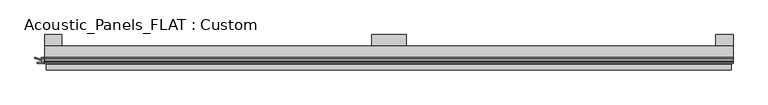
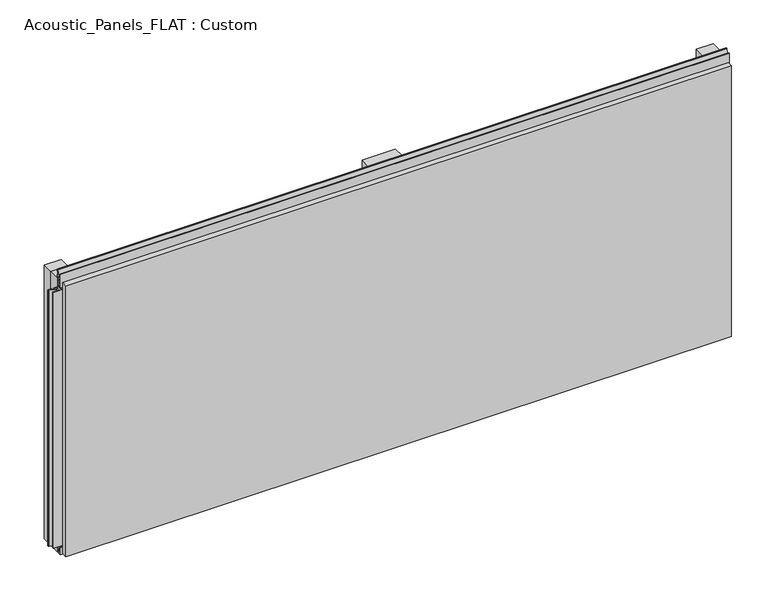
"""IFC4 building model written with IfcOpenShell, lengths in millimetres: plate geometry, Acoustic_Panels_FLAT : Custom."""

from ifc_helpers import new_model, si_unit, frame, origin, origin_with_axes, place, context, project, spatial, polyline, outline, extrude, faceted_brep, source, transform, mapped, element, save


def acoustic_panels_flat_custom_2cc01d05(model_context):
    return source(origin(), model_context, "Body", "SolidModel", [
        extrude(outline(polyline([(-600.0, -40.0), (-600.0, -20.0), (600.0, -20.0), (600.0, -40.0), (-600.0, -40.0)])), frame((0.0, 0.0, 490.0), z_axis=(0.0, 0.0, 1.0), x_axis=(1.0, 0.0, 0.0)), (0.0, 0.0, 1.0), 30.0),
        extrude(outline(polyline([(-600.0, -40.0), (-600.0, -20.0), (600.0, -20.0), (600.0, -40.0), (-600.0, -40.0)])), origin_with_axes(), (0.0, 0.0, 1.0), 30.0),
        extrude(outline(polyline([(570.0, 0.0), (600.0, 0.0), (600.0, -20.0), (570.0, -20.0), (570.0, 0.0)])), origin_with_axes(), (0.0, 0.0, 1.0), 520.0),
        extrude(outline(polyline([(30.0, 0.0), (30.0, -20.0), (-30.0, -20.0), (-30.0, 0.0), (30.0, 0.0)])), origin_with_axes(), (0.0, 0.0, 1.0), 520.0),
        extrude(outline(polyline([(-570.0, 0.0), (-570.0, -20.0), (-600.0, -20.0), (-600.0, 0.0), (-570.0, 0.0)])), origin_with_axes(), (0.0, 0.0, 1.0), 520.0),
        extrude(outline(polyline([(-40.0, 6.299084), (-40.0, 0.0), (-50.1, 0.0), (-50.1, 13.4156807), (-48.7, 13.4156807), (-48.7, 1.4156807), (-41.4, 1.4156807), (-41.4, 4.899084), (-45.5140545, 4.899084), (-41.4553267, 15.5703394), (-41.4553267, 22.991548), (-40.0553267, 22.991548), (-40.0553267, 15.3558599), (-43.5, 6.299084), (-40.0, 6.299084)])), frame((-600.0, 0.0, 0.0), z_axis=(1.0, 0.0, 0.0), x_axis=(0.0, 1.0, 0.0)), (0.0, 0.0, 1.0), 1200.0),
        extrude(outline(polyline([(593.700916, -40.0), (600.0, -40.0), (600.0, -50.1), (586.5843193, -50.1), (586.5843193, -48.7), (598.5843193, -48.7), (598.5843193, -41.4), (595.100916, -41.4), (595.100916, -45.5140545), (584.4296606, -41.4553267), (577.008452, -41.4553267), (577.008452, -40.0553267), (584.6441401, -40.0553267), (593.700916, -43.5), (593.700916, -40.0)])), frame((0.0, 0.0, 16.9558599), z_axis=(0.0, 0.0, 1.0), x_axis=(1.0, 0.0, 0.0)), (0.0, 0.0, 1.0), 486.0882802),
        extrude(outline(polyline([(-600.899084, -48.7), (-600.899084, -41.4), (-604.899084, -41.4), (-604.899084, -45.5140545), (-615.5703394, -41.4553267), (-616.9558599, -41.4553267), (-616.9558599, -40.0553267), (-615.3558599, -40.0553267), (-606.299084, -43.5), (-606.299084, -40.0), (-593.700916, -40.0), (-593.700916, -43.5), (-584.6441401, -40.0553267), (-583.0441401, -40.0553267), (-583.0441401, -41.4553267), (-584.4296606, -41.4553267), (-595.100916, -45.5140545), (-595.100916, -41.4), (-599.100916, -41.4), (-599.100916, -48.7), (-587.100916, -48.7), (-587.100916, -50.1), (-612.899084, -50.1), (-612.899084, -48.7), (-600.899084, -48.7)])), frame((0.0, 0.0, 16.9558599), z_axis=(0.0, 0.0, 1.0), x_axis=(1.0, 0.0, 0.0)), (0.0, 0.0, 1.0), 486.0882802),
        extrude(outline(polyline([(-48.7, 520.899084), (-41.4, 520.899084), (-41.4, 524.899084), (-45.5140545, 524.899084), (-41.4553267, 535.5703394), (-41.4553267, 536.9558599), (-40.0553267, 536.9558599), (-40.0553267, 535.3558599), (-43.5, 526.299084), (-40.0, 526.299084), (-40.0, 513.700916), (-43.5, 513.700916), (-40.0553267, 504.6441401), (-40.0553267, 503.0441401), (-41.4553267, 503.0441401), (-41.4553267, 504.4296606), (-45.5140545, 515.100916), (-41.4, 515.100916), (-41.4, 519.100916), (-48.7, 519.100916), (-48.7, 507.100916), (-50.1, 507.100916), (-50.1, 532.899084), (-48.7, 532.899084), (-48.7, 520.899084)])), frame((-600.0, 0.0, 0.0), z_axis=(1.0, 0.0, 0.0), x_axis=(0.0, 1.0, 0.0)), (0.0, 0.0, 1.0), 1200.0),
        faceted_brep([(597.0, -45.9, 517.0), (-597.0, -45.9, 517.0), (-597.0, -48.7, 517.0), (597.0, -48.7, 517.0), (-597.0, -61.9, 517.0), (597.0, -61.9, 517.0), (597.0, -51.9, 517.0), (-597.0, -51.9, 517.0), (-597.0, -45.9, 3.0), (597.0, -45.9, 3.0), (597.0, -48.7, 3.0), (-597.0, -48.7, 3.0), (597.0, -61.9, 3.0), (-597.0, -61.9, 3.0), (-597.0, -51.9, 3.0), (597.0, -51.9, 3.0), (585.0, -51.9, 505.0), (585.0, -51.9, 15.0), (585.0, -48.7, 15.0), (585.0, -48.7, 505.0), (-585.0, -51.9, 15.0), (-585.0, -48.7, 15.0), (-585.0, -51.9, 505.0), (-585.0, -48.7, 505.0)], [[[0, 1, 2, 3]], [[4, 5, 6, 7]], [[8, 9, 10, 11]], [[12, 13, 14, 15]], [[1, 0, 9, 8]], [[1, 8, 11, 2]], [[13, 4, 7, 14]], [[5, 4, 13, 12]], [[9, 0, 3, 10]], [[5, 12, 15, 6]], [[16, 17, 18, 19]], [[18, 17, 20, 21]], [[21, 20, 22, 23]], [[16, 19, 23, 22]], [[7, 6, 15, 14], [17, 16, 22, 20]], [[3, 2, 11, 10], [19, 18, 21, 23]]]),
    ])


if __name__ == "__main__":
    model = new_model("IFC4")
    model_context = context("Model", 3, world=origin())
    ifc_project = project(units=[si_unit("LENGTHUNIT", "METRE", prefix="MILLI")], contexts=[model_context])
    site = spatial("IfcSite", under=ifc_project)
    building = spatial("IfcBuilding", under=site)
    placement = place(None, origin())
    acoustic_panels_flat_custom_shape = acoustic_panels_flat_custom_2cc01d05(model_context)
    element("IfcPlate", 1, ObjectType="Acoustic_Panels_FLAT : Custom", at=placement, inside=building, context=model_context, shape_type="MappedRepresentation", body=[
        mapped(acoustic_panels_flat_custom_shape, transform((0.0, 0.0, 0.0), x_axis=(1.0, 0.0, 0.0), y_axis=(0.0, 1.0, 0.0), z_axis=(0.0, 0.0, 1.0))),
    ])
    save(model, "model.ifc")
